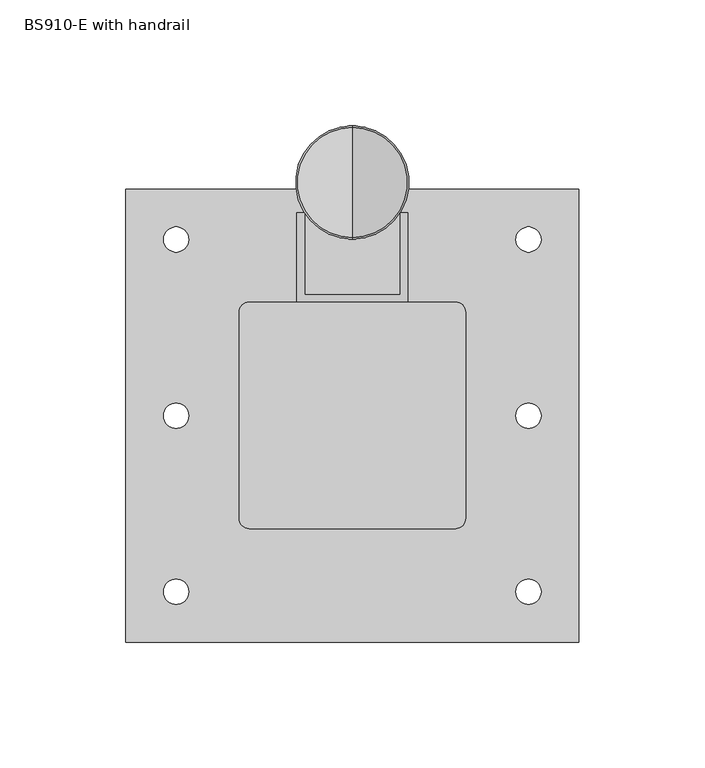
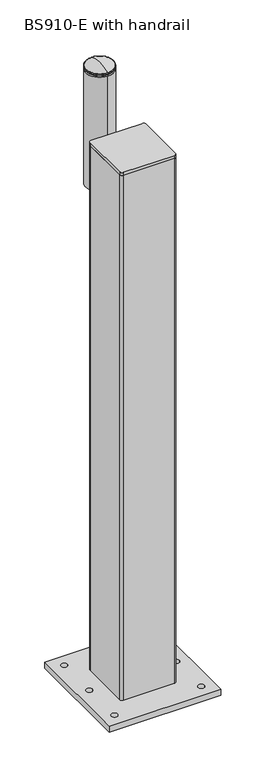
"""IFC4 building model written with IfcOpenShell, lengths in millimetres: proxy geometry, BS910-E with handrail."""

from ifc_helpers import new_model, si_unit, point, frame, frame_2d, origin, origin_with_axes, place, context, project, spatial, polyline, circle_curve, ellipse_curve, trimmed, segment, composite_curve, outline, extrude, faceted_brep, source, transform, mapped, element, save
from ifc_brep_helpers import plane_surface, cylinder_surface, revolved_surface, advanced_brep


def bs910_e_with_handrail_d7e518f6(model_context):
    return source(origin(), model_context, "Body", "SolidModel", [
        extrude(outline(composite_curve([segment(trimmed(circle_curve(frame_2d((41.0, 41.0)), 4.0), [point((41.0, 45.0))], [point((45.0, 41.0))], False, "CARTESIAN"), True, "CONTINUOUS"), segment(polyline([(45.0, 41.0), (45.0, -41.0)]), True, "CONTINUOUS"), segment(trimmed(circle_curve(frame_2d((41.0, -41.0)), 4.0), [point((45.0, -41.0))], [point((41.0, -45.0))], False, "CARTESIAN"), True, "CONTINUOUS"), segment(polyline([(41.0, -45.0), (-41.0, -45.0)]), True, "CONTINUOUS"), segment(trimmed(circle_curve(frame_2d((-41.0, -41.0)), 4.0), [point((-41.0, -45.0))], [point((-45.0, -41.0))], False, "CARTESIAN"), True, "CONTINUOUS"), segment(polyline([(-45.0, -41.0), (-45.0, 41.0)]), True, "CONTINUOUS"), segment(trimmed(circle_curve(frame_2d((-41.0, 41.0)), 4.0), [point((-45.0, 41.0))], [point((-41.0, 45.0))], False, "CARTESIAN"), True, "CONTINUOUS"), segment(polyline([(-41.0, 45.0), (41.0, 45.0)]), True, "CONTINUOUS")], self_intersect=False)), frame((0.0, 0.0, 905.0), z_axis=(0.0, 0.0, 1.0), x_axis=(1.0, 0.0, 0.0)), (0.0, 0.0, 1.0), 5.0),
        faceted_brep([(19.0, 80.5, 843.0), (19.0, 80.5, 760.0), (19.0, 55.0, 715.0), (19.0, 48.0, 715.0), (19.0, 48.0, 836.9360897), (22.0, 45.0, 836.3763441), (22.0, 45.0, 715.0), (22.0, 55.0, 715.0), (22.0, 80.5, 760.0), (22.0, 80.5, 843.0), (-19.0, 48.0, 836.9360897), (-19.0, 80.5, 843.0), (-22.0, 80.5, 843.0), (-22.0, 45.0, 836.3763441), (-22.0, 45.0, 715.0), (-22.0, 55.0, 715.0), (-19.0, 55.0, 715.0), (-19.0, 48.0, 715.0), (-22.0, 80.5, 760.0), (-19.0, 80.5, 760.0)], [[[0, 1, 2, 3, 4]], [[5, 6, 7, 8, 9]], [[9, 0, 4, 10, 11, 12, 13, 5]], [[1, 0, 9, 8]], [[2, 1, 8, 7]], [[2, 7, 6, 14, 15, 16, 17, 3]], [[14, 6, 5, 13]], [[13, 12, 18, 15, 14]], [[16, 19, 11, 10, 17]], [[18, 12, 11, 19]], [[15, 18, 19, 16]], [[4, 3, 17, 10]]]),
        advanced_brep(
        [(0.0, 70.0, 990.0), (0.0, 115.0, 990.0), (0.0, 92.5, 990.0), (0.0, 70.0, 992.0), (0.0, 115.0, 992.0), (0.0, 71.0, 992.0), (0.0, 114.0, 992.0), (0.0, 71.0, 993.0), (0.0, 114.0, 993.0), (0.0, 70.0, 993.0), (0.0, 115.0, 993.0), (0.0, 70.0, 994.3593724), (0.0, 115.0, 994.3593724), (0.0, 70.58753, 995.2703436), (0.0, 114.41247, 995.2703436), (0.0, 92.5, 1000.0)],
        [
            (0, 1, circle_curve(frame((0.0, 92.5, 990.0), z_axis=(0.0, 0.0, -1.0), x_axis=(0.0, 1.0, 0.0)), 22.5)),
            (1, 2),
            (2, 0),
            (1, 0, circle_curve(frame((0.0, 92.5, 990.0), z_axis=(0.0, 0.0, -1.0), x_axis=(0.0, 1.0, 0.0)), 22.5)),
            (3, 4, circle_curve(frame((0.0, 92.5, 992.0), z_axis=(0.0, 0.0, -1.0), x_axis=(0.0, 1.0, 0.0)), 22.5)),
            (4, 1),
            (0, 3),
            (4, 3, circle_curve(frame((0.0, 92.5, 992.0), z_axis=(0.0, 0.0, -1.0), x_axis=(0.0, 1.0, 0.0)), 22.5)),
            (5, 6, circle_curve(frame((0.0, 92.5, 992.0), z_axis=(0.0, 0.0, -1.0), x_axis=(0.0, 1.0, 0.0)), 21.5)),
            (6, 4),
            (3, 5),
            (6, 5, circle_curve(frame((0.0, 92.5, 992.0), z_axis=(0.0, 0.0, -1.0), x_axis=(0.0, 1.0, 0.0)), 21.5)),
            (7, 8, circle_curve(frame((0.0, 92.5, 993.0), z_axis=(0.0, 0.0, -1.0), x_axis=(0.0, 1.0, 0.0)), 21.5)),
            (8, 6),
            (5, 7),
            (8, 7, circle_curve(frame((0.0, 92.5, 993.0), z_axis=(0.0, 0.0, -1.0), x_axis=(0.0, 1.0, 0.0)), 21.5)),
            (9, 10, circle_curve(frame((0.0, 92.5, 993.0), z_axis=(0.0, 0.0, -1.0), x_axis=(0.0, 1.0, 0.0)), 22.5)),
            (10, 8),
            (7, 9),
            (10, 9, circle_curve(frame((0.0, 92.5, 993.0), z_axis=(0.0, 0.0, -1.0), x_axis=(0.0, 1.0, 0.0)), 22.5)),
            (11, 12, circle_curve(frame((0.0, 92.5, 994.3593724), z_axis=(0.0, 0.0, -1.0), x_axis=(0.0, 1.0, 0.0)), 22.5)),
            (12, 10),
            (9, 11),
            (12, 11, circle_curve(frame((0.0, 92.5, 994.3593724), z_axis=(0.0, 0.0, -1.0), x_axis=(0.0, 1.0, 0.0)), 22.5)),
            (13, 14, circle_curve(frame((0.0, 92.5, 995.2703436), z_axis=(0.0, 0.0, -1.0), x_axis=(0.0, 1.0, 0.0)), 21.91247)),
            (14, 12, circle_curve(frame((0.0, 114.0, 994.3593724), z_axis=(-1.0, 0.0, 0.0), x_axis=(0.0, 1.0, 0.0)), 1.0)),
            (11, 13, circle_curve(frame((0.0, 71.0, 994.3593724), z_axis=(-1.0, 0.0, 0.0), x_axis=(0.0, -1.0, 0.0)), 1.0)),
            (14, 13, circle_curve(frame((0.0, 92.5, 995.2703436), z_axis=(0.0, 0.0, -1.0), x_axis=(0.0, 1.0, 0.0)), 21.91247)),
            (15, 14, circle_curve(frame((0.0, 92.5, 946.875), z_axis=(-1.0, 0.0, 0.0), x_axis=(0.0, 1.0, 0.0)), 53.125)),
            (13, 15, circle_curve(frame((0.0, 92.5, 946.875), z_axis=(-1.0, 0.0, 0.0), x_axis=(0.0, -1.0, 0.0)), 53.125)),
        ],
        [
            plane_surface(frame((0.0, 92.5, 990.0), z_axis=(0.0, 0.0, -1.0), x_axis=(0.0, 1.0, 0.0))),
            cylinder_surface(frame((0.0, 92.5, 1162.6710842), z_axis=(0.0, 0.0, 1.0), x_axis=(0.0, 1.0, 0.0)), 22.5),
            plane_surface(frame((0.0, 92.5, 992.0), z_axis=(0.0, 0.0, 1.0), x_axis=(0.0, 1.0, 0.0))),
            cylinder_surface(frame((0.0, 92.5, 1162.6710842), z_axis=(0.0, 0.0, 1.0), x_axis=(0.0, 1.0, 0.0)), 21.5),
            plane_surface(frame((0.0, 92.5, 993.0), z_axis=(0.0, 0.0, -1.0), x_axis=(0.0, 1.0, 0.0))),
            revolved_surface(trimmed(ellipse_curve(frame((0.0, 114.0, 994.3593724), z_axis=(1.0, 0.0, 0.0), x_axis=(0.0, 1.0, 0.0)), 1.0, 1.0), [point((0.0, 115.0, 994.3593724))], [point((0.0, 114.41247, 995.2703436))], True, "CARTESIAN"), (0.0, 92.5, 1162.6710842), (0.0, 0.0, 1.0)),
            revolved_surface(trimmed(ellipse_curve(frame((0.0, 92.5, 946.875), z_axis=(1.0, 0.0, 0.0), x_axis=(0.0, 1.0, 0.0)), 53.125, 53.125), [point((0.0, 114.41247, 995.2703436))], [point((0.0, 92.5, 1000.0))], True, "CARTESIAN"), (0.0, 92.5, 1162.6710842), (0.0, 0.0, 1.0)),
        ],
        [
            (0, [[1, 2, 3]]),
            (0, [[4, -3, -2]]),
            (1, [[5, 6, -1, 7]]),
            (1, [[8, -7, -4, -6]]),
            (2, [[9, 10, -5, 11]]),
            (2, [[12, -11, -8, -10]]),
            (3, [[13, 14, -9, 15]]),
            (3, [[16, -15, -12, -14]]),
            (4, [[17, 18, -13, 19]]),
            (4, [[20, -19, -16, -18]]),
            (1, [[21, 22, -17, 23]]),
            (1, [[24, -23, -20, -22]]),
            (5, [[25, 26, -21, 27]]),
            (5, [[28, -27, -24, -26]]),
            (6, [[29, -25, 30]]),
            (6, [[-30, -28, -29]]),
        ],
    ),
        extrude(outline(composite_curve([segment(trimmed(circle_curve(frame_2d((0.0, 92.5)), 22.5), [point((0.0, 70.0))], [point((0.0, 115.0))], False, "CARTESIAN"), True, "CONTINUOUS"), segment(trimmed(circle_curve(frame_2d((0.0, 92.5)), 22.5), [point((0.0, 115.0))], [point((0.0, 70.0))], False, "CARTESIAN"), True, "CONTINUOUS")], self_intersect=False)), frame((0.0, 0.0, 795.0), z_axis=(0.0, 0.0, 1.0), x_axis=(1.0, 0.0, 0.0)), (0.0, 0.0, 1.0), 195.0),
        extrude(outline(composite_curve([segment(polyline([(-45.0, -41.0), (-45.0, 41.0)]), True, "CONTINUOUS"), segment(trimmed(circle_curve(frame_2d((-41.0, 41.0)), 4.0), [point((-45.0, 41.0))], [point((-41.0, 45.0))], False, "CARTESIAN"), True, "CONTINUOUS"), segment(polyline([(-41.0, 45.0), (41.0, 45.0)]), True, "CONTINUOUS"), segment(trimmed(circle_curve(frame_2d((41.0, 41.0)), 4.0), [point((41.0, 45.0))], [point((45.0, 41.0))], False, "CARTESIAN"), True, "CONTINUOUS"), segment(polyline([(45.0, 41.0), (45.0, -41.0)]), True, "CONTINUOUS"), segment(trimmed(circle_curve(frame_2d((41.0, -41.0)), 4.0), [point((45.0, -41.0))], [point((41.0, -45.0))], False, "CARTESIAN"), True, "CONTINUOUS"), segment(polyline([(41.0, -45.0), (-41.0, -45.0)]), True, "CONTINUOUS"), segment(trimmed(circle_curve(frame_2d((-41.0, -41.0)), 4.0), [point((-41.0, -45.0))], [point((-45.0, -41.0))], False, "CARTESIAN"), True, "CONTINUOUS")], self_intersect=False), holes=[composite_curve([segment(polyline([(39.0, 41.0), (-39.0, 41.0)]), True, "CONTINUOUS"), segment(trimmed(circle_curve(frame_2d((-39.0, 39.0)), 2.0), [point((-39.0, 41.0))], [point((-41.0, 39.0))], True, "CARTESIAN"), True, "CONTINUOUS"), segment(polyline([(-41.0, 39.0), (-41.0, -39.0)]), True, "CONTINUOUS"), segment(trimmed(circle_curve(frame_2d((-39.0, -39.0)), 2.0), [point((-41.0, -39.0))], [point((-39.0, -41.0))], True, "CARTESIAN"), True, "CONTINUOUS"), segment(polyline([(-39.0, -41.0), (39.0, -41.0)]), True, "CONTINUOUS"), segment(trimmed(circle_curve(frame_2d((39.0, -39.0)), 2.0), [point((39.0, -41.0))], [point((41.0, -39.0))], True, "CARTESIAN"), True, "CONTINUOUS"), segment(polyline([(41.0, -39.0), (41.0, 39.0)]), True, "CONTINUOUS"), segment(trimmed(circle_curve(frame_2d((39.0, 39.0)), 2.0), [point((41.0, 39.0))], [point((39.0, 41.0))], True, "CARTESIAN"), True, "CONTINUOUS")], self_intersect=False)]), frame((0.0, 0.0, 10.0), z_axis=(0.0, 0.0, 1.0), x_axis=(1.0, 0.0, 0.0)), (0.0, 0.0, 1.0), 895.0),
        extrude(outline(polyline([(90.0, 90.0), (90.0, -90.0), (-90.0, -90.0), (-90.0, 90.0), (90.0, 90.0)]), holes=[composite_curve([segment(trimmed(circle_curve(frame_2d((-70.0, 70.0)), 5.0), [point((-75.0, 70.0))], [point((-65.0, 70.0))], True, "CARTESIAN"), True, "CONTINUOUS"), segment(trimmed(circle_curve(frame_2d((-70.0, 70.0)), 5.0), [point((-65.0, 70.0))], [point((-75.0, 70.0))], True, "CARTESIAN"), True, "CONTINUOUS")], self_intersect=False), composite_curve([segment(trimmed(circle_curve(frame_2d((-70.0, 0.0)), 5.0), [point((-75.0, 0.0))], [point((-65.0, 0.0))], True, "CARTESIAN"), True, "CONTINUOUS"), segment(trimmed(circle_curve(frame_2d((-70.0, 0.0)), 5.0), [point((-65.0, 0.0))], [point((-75.0, 0.0))], True, "CARTESIAN"), True, "CONTINUOUS")], self_intersect=False), composite_curve([segment(trimmed(circle_curve(frame_2d((-70.0, -70.0)), 5.0), [point((-75.0, -70.0))], [point((-65.0, -70.0))], True, "CARTESIAN"), True, "CONTINUOUS"), segment(trimmed(circle_curve(frame_2d((-70.0, -70.0)), 5.0), [point((-65.0, -70.0))], [point((-75.0, -70.0))], True, "CARTESIAN"), True, "CONTINUOUS")], self_intersect=False), composite_curve([segment(trimmed(circle_curve(frame_2d((70.0, -70.0)), 5.0), [point((65.0, -70.0))], [point((75.0, -70.0))], True, "CARTESIAN"), True, "CONTINUOUS"), segment(trimmed(circle_curve(frame_2d((70.0, -70.0)), 5.0), [point((75.0, -70.0))], [point((65.0, -70.0))], True, "CARTESIAN"), True, "CONTINUOUS")], self_intersect=False), composite_curve([segment(trimmed(circle_curve(frame_2d((70.0, 0.0)), 5.0), [point((65.0, 0.0))], [point((75.0, 0.0))], True, "CARTESIAN"), True, "CONTINUOUS"), segment(trimmed(circle_curve(frame_2d((70.0, 0.0)), 5.0), [point((75.0, 0.0))], [point((65.0, 0.0))], True, "CARTESIAN"), True, "CONTINUOUS")], self_intersect=False), composite_curve([segment(trimmed(circle_curve(frame_2d((70.0, 70.0)), 5.0), [point((65.0, 70.0))], [point((75.0, 70.0))], True, "CARTESIAN"), True, "CONTINUOUS"), segment(trimmed(circle_curve(frame_2d((70.0, 70.0)), 5.0), [point((75.0, 70.0))], [point((65.0, 70.0))], True, "CARTESIAN"), True, "CONTINUOUS")], self_intersect=False)]), origin_with_axes(), (0.0, 0.0, 1.0), 10.0),
    ])


if __name__ == "__main__":
    model = new_model("IFC4")
    model_context = context("Model", 3, world=origin())
    ifc_project = project(units=[si_unit("LENGTHUNIT", "METRE", prefix="MILLI")], contexts=[model_context])
    site = spatial("IfcSite", under=ifc_project)
    building = spatial("IfcBuilding", under=site)
    placement = place(None, origin())
    bs910_e_with_handrail_shape = bs910_e_with_handrail_d7e518f6(model_context)
    element("IfcBuildingElementProxy", 1, Name="BS910-E with handrail", ObjectType="BS910-E with handrail", at=placement, inside=building, context=model_context, shape_type="MappedRepresentation", body=[
        mapped(bs910_e_with_handrail_shape, transform((0.0, 0.0, 0.0), x_axis=(1.0, 0.0, 0.0), y_axis=(0.0, 1.0, 0.0), z_axis=(0.0, 0.0, 1.0))),
    ])
    save(model, "model.ifc")
